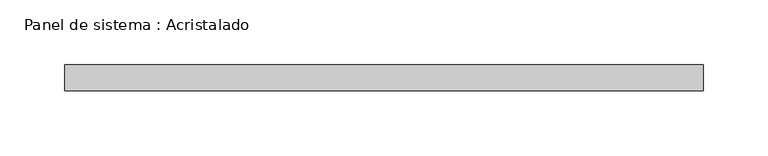
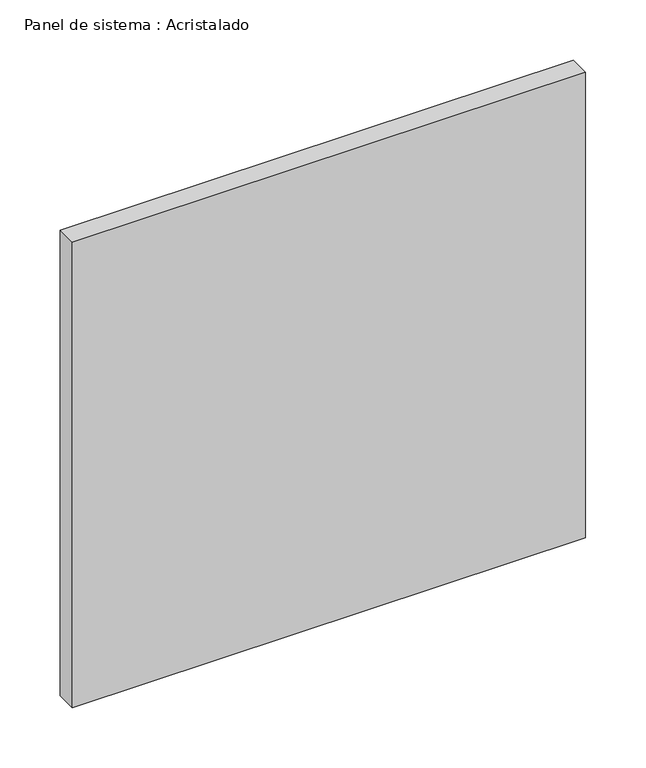
"""IFC4 building model written with IfcOpenShell, lengths in millimetres: plate geometry, Panel de sistema : Acristalado."""

from ifc_helpers import new_model, si_unit, origin, origin_with_axes, place, context, project, spatial, polyline, outline, extrude, source, transform, mapped, element, save


def panel_de_sistema_acristalado_0acc3c6c(model_context):
    return source(origin(), model_context, "Body", "SweptSolid", [
        extrude(outline(polyline([(246.3333333, -10.0), (-246.3333333, -10.0), (-246.3333333, 10.0), (246.3333333, 10.0), (246.3333333, -10.0)])), origin_with_axes(), (0.0, 0.0, 1.0), 472.0),
    ])


if __name__ == "__main__":
    model = new_model("IFC4")
    model_context = context("Model", 3, world=origin())
    ifc_project = project(units=[si_unit("LENGTHUNIT", "METRE", prefix="MILLI")], contexts=[model_context])
    site = spatial("IfcSite", under=ifc_project)
    building = spatial("IfcBuilding", under=site)
    placement = place(None, origin())
    panel_de_sistema_acristalado_shape = panel_de_sistema_acristalado_0acc3c6c(model_context)
    element("IfcPlate", 1, ObjectType="Panel de sistema : Acristalado", at=placement, inside=building, context=model_context, shape_type="MappedRepresentation", body=[
        mapped(panel_de_sistema_acristalado_shape, transform((0.0, 0.0, 0.0), x_axis=(1.0, 0.0, 0.0), y_axis=(0.0, 1.0, 0.0), z_axis=(0.0, 0.0, 1.0))),
    ])
    save(model, "model.ifc")
